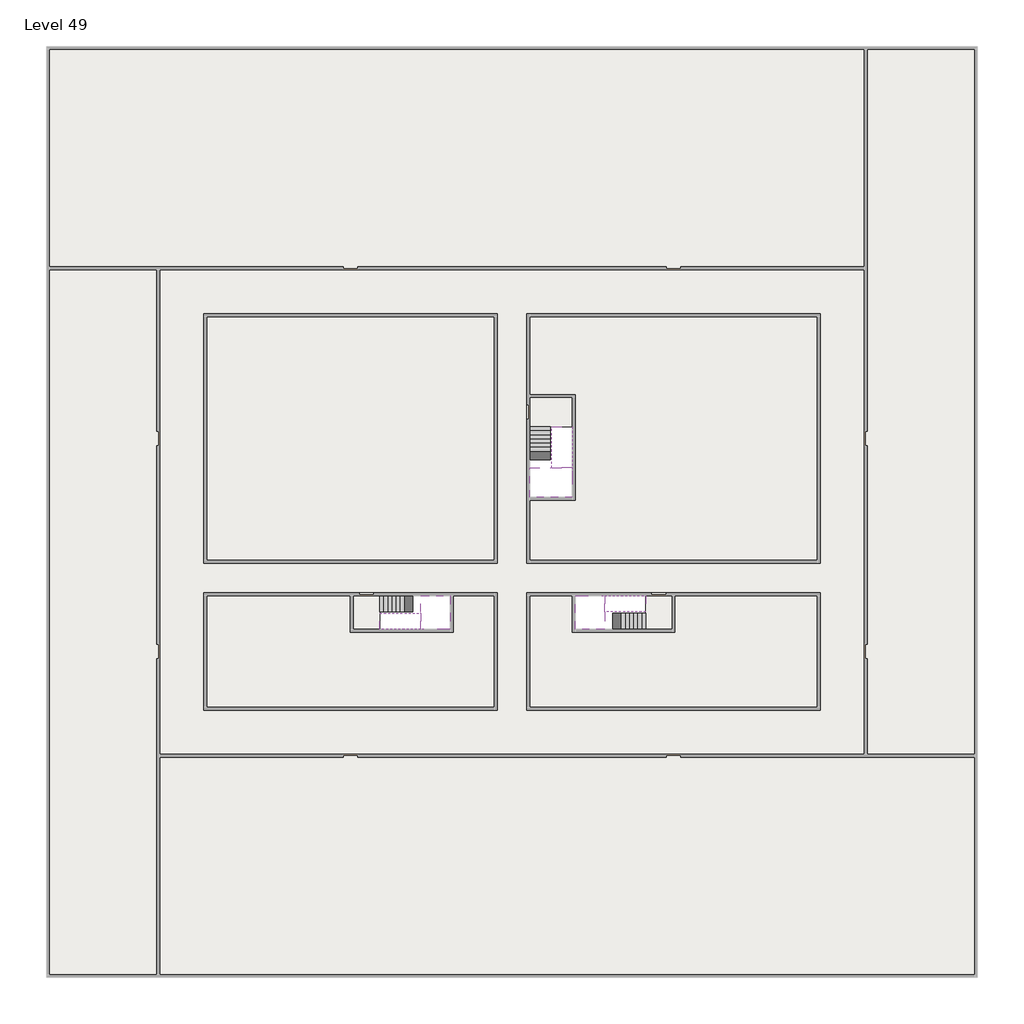
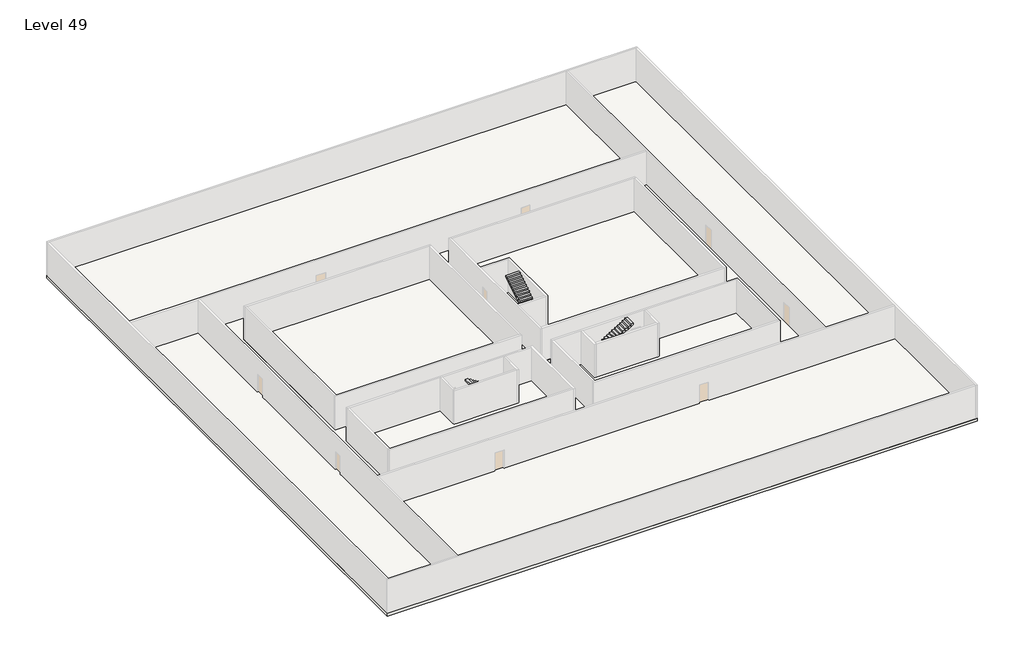
# One storey, part 2 of 2: 6 slabs, 6 stair flights.
"""IFC4 building model written with IfcOpenShell, lengths in millimetres."""

import ifcopenshell
import ifcopenshell.guid

model = None  # the IFC model being written
_history = None  # IfcOwnerHistory: only IFC2X3 demands one
_inside = {}  # id of a spatial element -> (the spatial element, [elements in it])
_under = {}  # id of a project, library or spatial element -> (it, [spatial elements below it])
_declared = {}  # id of a project -> (the project, [libraries it declares])
_typed = {}  # id of a type object -> (the type object, [elements of that type])
_made_of = {}  # id of a material, layer set ... -> (it, [elements and type objects made of it])


def new_model(schema):
    """Start an empty IFC model of exactly this schema.

    Asked for "IFC4X3", IfcOpenShell would pick the latest addendum, in which some entities
    have other attributes; the version numbers below select the first issue.
    IFC2X3 requires an IfcOwnerHistory on every rooted entity: one is made here for all.
    """
    global model, _history
    if schema == "IFC4X3":
        model = ifcopenshell.file(schema_version=(4, 3, 0, 0))
    else:
        model = ifcopenshell.file(schema=schema)
    _inside.clear()
    _under.clear()
    _declared.clear()
    _typed.clear()
    _made_of.clear()
    _history = None
    if model.schema == "IFC2X3":
        org = make("IfcOrganization", Name="unknown")
        user = make(
            "IfcPersonAndOrganization",
            ThePerson=make("IfcPerson", FamilyName="unknown"),
            TheOrganization=org,
        )
        app = make(
            "IfcApplication",
            ApplicationDeveloper=org,
            Version="unknown",
            ApplicationFullName="unknown",
            ApplicationIdentifier="unknown",
        )
        _history = make(
            "IfcOwnerHistory",
            OwningUser=user,
            OwningApplication=app,
            ChangeAction="ADDED",
            CreationDate=0,
        )
    return model


def make(cls, **values):
    """One entity of the class cls with the attributes given. An attribute that is None is left unset."""
    return model.create_entity(
        cls, **{name: value for name, value in values.items() if value is not None}
    )


def rooted(cls, **values):
    """An entity with a GlobalId (a new one), such as an element, a storey or a relation."""
    return make(cls, GlobalId=ifcopenshell.guid.new(), OwnerHistory=_history, **values)


def si_unit(unit_type, name, prefix=None):
    """IfcSIUnit, for example si_unit("LENGTHUNIT", "METRE", prefix="MILLI")."""
    return make("IfcSIUnit", UnitType=unit_type, Prefix=prefix, Name=name)


def assignment(units):
    """IfcUnitAssignment: the units of a project."""
    return None if units is None else make("IfcUnitAssignment", Units=units)


def point(xyz):
    """IfcCartesianPoint."""
    return None if xyz is None else make("IfcCartesianPoint", Coordinates=xyz)


def direction(xyz):
    """IfcDirection."""
    return None if xyz is None else make("IfcDirection", DirectionRatios=xyz)


def frame(location, z_axis=None, x_axis=None):
    """IfcAxis2Placement3D, a coordinate frame: its origin and axes. An axis left out is left unset."""
    return make(
        "IfcAxis2Placement3D",
        Location=point(location),
        Axis=direction(z_axis),
        RefDirection=direction(x_axis),
    )


def origin():
    """The frame at (0, 0, 0) with its axes left unset."""
    return frame((0.0, 0.0, 0.0))


def place(relative_to, where):
    """IfcLocalPlacement: puts the frame where relative to a parent placement (None: the world)."""
    return make(
        "IfcLocalPlacement", PlacementRelTo=relative_to, RelativePlacement=where
    )


def context(
    kind, dimensions, precision=None, world=None, true_north=None, identifier=None
):
    """IfcGeometricRepresentationContext, for example the 3D "Model" context."""
    return make(
        "IfcGeometricRepresentationContext",
        ContextIdentifier=identifier,
        ContextType=kind,
        CoordinateSpaceDimension=dimensions,
        Precision=precision,
        WorldCoordinateSystem=world,
        TrueNorth=true_north,
    )


def project(units=None, contexts=None):
    """IfcProject with its units and contexts."""
    return rooted(
        "IfcProject",
        Name="project",
        RepresentationContexts=contexts,
        UnitsInContext=assignment(units),
    )


def spatial(cls, under=None, at=None, **own):
    """A site, building, storey or space (cls), placed at a placement, below another one or the project."""
    s = rooted(cls, ObjectPlacement=at, **own)
    if under is not None:
        _under.setdefault(under.id(), (under, []))[1].append(s)
    return s


def polyline(points):
    """IfcPolyline through the points."""
    return make("IfcPolyline", Points=[point(p) for p in points])


def outline(outer, holes=None, kind="AREA"):
    """IfcArbitraryClosedProfileDef: a profile drawn as a closed curve; with holes, ...WithVoids."""
    if holes is None:
        return make("IfcArbitraryClosedProfileDef", ProfileType=kind, OuterCurve=outer)
    return make(
        "IfcArbitraryProfileDefWithVoids",
        ProfileType=kind,
        OuterCurve=outer,
        InnerCurves=holes,
    )


def extrude(swept, where, along, depth):
    """IfcExtrudedAreaSolid: the profile swept, set in the frame where, extruded along a direction by depth."""
    return make(
        "IfcExtrudedAreaSolid",
        SweptArea=swept,
        Position=where,
        ExtrudedDirection=direction(along),
        Depth=depth,
    )


def faces_of(points, faces, orient=None, outer=None):
    """IfcFace entities. A face is a list of loops; a loop is a list of indices into points, from 0.

    orient and outer hold one flag for each loop. By default every Orientation is true, the
    first loop of a face is its IfcFaceOuterBound and the others are IfcFaceBound.
    """
    made = []
    for i, loops in enumerate(faces):
        bounds = []
        for j, loop in enumerate(loops):
            is_outer = j == 0 if outer is None else outer[i][j]
            bounds.append(
                make(
                    "IfcFaceOuterBound" if is_outer else "IfcFaceBound",
                    Bound=make("IfcPolyLoop", Polygon=[points[k] for k in loop]),
                    Orientation=True if orient is None else orient[i][j],
                )
            )
        made.append(make("IfcFace", Bounds=bounds))
    return made


def faceted_brep(points, faces, orient=None, outer=None, voids=None):
    """IfcFacetedBrep: a solid bounded by flat faces; with voids (closed shells), ...WithVoids."""
    shared = [point(p) for p in points]
    hull = make("IfcClosedShell", CfsFaces=faces_of(shared, faces, orient, outer))
    if voids is None:
        return make("IfcFacetedBrep", Outer=hull)
    return make(
        "IfcFacetedBrepWithVoids",
        Outer=hull,
        Voids=[
            make(cls, CfsFaces=faces_of(shared, fs, o, b)) for cls, fs, o, b in voids
        ],
    )


def shape(context_of_items, identifier, shape_type, items):
    """IfcShapeRepresentation: the items that make up one representation, for example the "Body"."""
    return make(
        "IfcShapeRepresentation",
        ContextOfItems=context_of_items,
        RepresentationIdentifier=identifier,
        RepresentationType=shape_type,
        Items=items,
    )


def made_of(thing, what):
    """Note that an element or type object is made of a material, layer set ...; save() writes the relation."""
    if what is not None:
        _made_of.setdefault(what.id(), (what, []))[1].append(thing)
    return thing


def element(
    cls,
    number,
    at=None,
    inside=None,
    cuts=None,
    type_object=None,
    material=None,
    context=None,
    identifier="Body",
    shape_type=None,
    held_by="IfcProductDefinitionShape",
    body=None,
    shapes=None,
    **own,
):
    """One element of the class cls, such as IfcWall. Its Tag is "e" and its number.

    at: its placement. inside: the storey or other place that contains it. cuts: it is an
    opening in that element (IfcRelVoidsElement). A single representation is given by context,
    identifier, shape_type and body (its items); several are given by shapes. held_by: the class
    of the entity that holds the representations. save() writes the other relations.
    """
    e = rooted(cls, Tag="e%d" % number, ObjectPlacement=at, **own)
    if body is not None:
        shapes = [shape(context, identifier, shape_type, body)]
    if shapes is not None:
        e.Representation = make(held_by, Representations=shapes)
    if inside is not None:
        _inside.setdefault(inside.id(), (inside, []))[1].append(e)
    if cuts is not None:
        rooted(
            "IfcRelVoidsElement", RelatingBuildingElement=cuts, RelatedOpeningElement=e
        )
    if type_object is not None:
        _typed.setdefault(type_object.id(), (type_object, []))[1].append(e)
    return made_of(e, material)


def aggregate(whole, parts):
    """IfcRelAggregates: a whole, such as a stair, and the parts it consists of."""
    return rooted("IfcRelAggregates", RelatingObject=whole, RelatedObjects=parts)


def save(model, path):
    """Write the relations noted so far, then the file.

    IfcRelAggregates (storeys below a building ...), IfcRelContainedInSpatialStructure (elements
    in a storey), IfcRelDefinesByType, IfcRelAssociatesMaterial and IfcRelDeclares: one each for
    every whole, place, type object, material and project.
    """
    for whole, parts in _under.values():
        aggregate(whole, parts)
    for where, things in _inside.values():
        rooted(
            "IfcRelContainedInSpatialStructure",
            RelatedElements=things,
            RelatingStructure=where,
        )
    for kind, things in _typed.values():
        rooted("IfcRelDefinesByType", RelatedObjects=things, RelatingType=kind)
    for what, things in _made_of.values():
        rooted("IfcRelAssociatesMaterial", RelatedObjects=things, RelatingMaterial=what)
    for by, libraries in _declared.values():
        rooted("IfcRelDeclares", RelatingContext=by, RelatedDefinitions=libraries)
    model.write(path)


model = new_model("IFC4")

# Units and contexts
model_context = context("Model", 3, world=origin())
ifc_project = project(units=[si_unit("LENGTHUNIT", "METRE", prefix="MILLI")], contexts=[model_context])

# Site, building, storey
site = spatial("IfcSite", under=ifc_project)
building = spatial("IfcBuilding", under=site)
storey = spatial("IfcBuildingStorey", under=building, Name="Level 49", Elevation=182400.0)

# Slabs
placement = place(None, origin())
element("IfcSlab", 1, at=placement, inside=storey, context=model_context, shape_type="SweptSolid", body=[
    extrude(outline(polyline([(55890.1058784, -5518.09644), (55890.1058784, -68918.09644), (-7509.8941216, -68918.09644), (-7509.8941216, -5518.09644), (55890.1058784, -5518.09644)]), holes=[polyline([(23190.1058784, -23718.09644), (3190.1058784, -23718.09644), (3190.1058784, -40718.09644), (23190.1058784, -40718.09644), (23190.1058784, -23718.09644)]), polyline([(45190.1058784, -23718.09644), (25190.1058784, -23718.09644), (25190.1058784, -40718.09644), (45190.1058784, -40718.09644), (45190.1058784, -23718.09644)]), polyline([(23190.1058784, -42718.09644), (3190.1058784, -42718.09644), (3190.1058784, -50718.09644), (23190.1058784, -50718.09644), (23190.1058784, -42718.09644)]), polyline([(25190.1058784, -50718.09644), (45190.1058784, -50718.09644), (45190.1058784, -42718.09644), (25190.1058784, -42718.09644), (25190.1058784, -50718.09644)])]), frame((0.0, 0.0, 182100.0), z_axis=(0.0, 0.0, 1.0), x_axis=(1.0, 0.0, 0.0)), (0.0, 0.0, 1.0), 300.0),
])
element("IfcSlab", 2, at=placement, inside=storey, context=model_context, shape_type="Brep", body=[
    faceted_brep([(26790.1058784, -34218.09644, 184300.0), (25390.1058784, -34218.09644, 184300.0), (25390.1058784, -34297.4828763, 184300.0), (25390.1058784, -36218.09644, 184300.0), (28290.1058784, -36218.09644, 184300.0), (28290.1058784, -34418.7100038, 184300.0), (28290.1058784, -34218.09644, 184300.0), (26890.1058784, -34218.09644, 184300.0), (26790.1058784, -34218.09644, 184000.0), (26790.1058784, -34218.09644, 183951.0278478), (25390.1058784, -34218.09644, 183951.0278478), (25390.1058784, -34218.09644, 184127.2727273), (25390.1058784, -34297.4828763, 184000.0), (25390.1058784, -36218.09644, 184000.0), (28290.1058784, -36218.09644, 184000.0), (28290.1058784, -34418.7100038, 184000.0), (28290.1058784, -34218.09644, 184123.7551205), (26890.1058784, -34218.09644, 184123.7551205), (26890.1058784, -34218.09644, 184000.0), (26890.1058784, -34418.7100038, 184000.0), (26790.1058784, -34297.4828763, 184000.0)], [[[0, 1, 2, 3, 4, 5, 6, 7]], [[1, 0, 8, 9, 10, 11]], [[1, 11, 10, 12, 13, 3, 2]], [[4, 3, 13, 14]], [[4, 14, 15, 16, 6, 5]], [[7, 6, 16, 17]], [[0, 7, 17, 18, 8]], [[18, 19, 15, 14, 13, 12, 20, 8]], [[19, 18, 17]], [[20, 12, 10, 9]], [[8, 20, 9]], [[15, 19, 17, 16]]]),
])
element("IfcSlab", 3, at=placement, inside=storey, context=model_context, shape_type="SweptSolid", body=[
    extrude(outline(polyline([(22990.1058784, -23918.09644), (22990.1058784, -40518.09644), (3390.1058784, -40518.09644), (3390.1058784, -23918.09644), (22990.1058784, -23918.09644)])), frame((0.0, 0.0, 182100.0), z_axis=(0.0, 0.0, 1.0), x_axis=(1.0, 0.0, 0.0)), (0.0, 0.0, 1.0), 300.0),
    extrude(outline(polyline([(44990.1058784, -23918.09644), (44990.1058784, -40518.09644), (25390.1058784, -40518.09644), (25390.1058784, -36418.09644), (28490.1058784, -36418.09644), (28490.1058784, -29218.09644), (25390.1058784, -29218.09644), (25390.1058784, -23918.09644), (44990.1058784, -23918.09644)])), frame((0.0, 0.0, 182100.0), z_axis=(0.0, 0.0, 1.0), x_axis=(1.0, 0.0, 0.0)), (0.0, 0.0, 1.0), 300.0),
    extrude(outline(polyline([(22990.1058784, -42918.09644), (22990.1058784, -50518.09644), (3390.1058784, -50518.09644), (3390.1058784, -42918.09644), (13390.1058784, -42918.09644), (13390.1058784, -45418.09644), (15190.1058784, -45418.09644), (15190.1058784, -45218.09644), (19990.1058784, -45218.09644), (19990.1058784, -42918.09644), (22990.1058784, -42918.09644)])), frame((0.0, 0.0, 182100.0), z_axis=(0.0, 0.0, 1.0), x_axis=(1.0, 0.0, 0.0)), (0.0, 0.0, 1.0), 300.0),
    extrude(outline(polyline([(44990.1058784, -50518.09644), (25390.1058784, -50518.09644), (25390.1058784, -42918.09644), (28490.1058784, -42918.09644), (28490.1058784, -45218.09644), (33290.1058784, -45218.09644), (33290.1058784, -45418.09644), (35090.1058784, -45418.09644), (35090.1058784, -42918.09644), (44990.1058784, -42918.09644), (44990.1058784, -50518.09644)])), frame((0.0, 0.0, 182100.0), z_axis=(0.0, 0.0, 1.0), x_axis=(1.0, 0.0, 0.0)), (0.0, 0.0, 1.0), 300.0),
])
element("IfcSlab", 4, at=placement, inside=storey, context=model_context, shape_type="Brep", body=[
    faceted_brep([(30490.1058784, -45218.09644, 184300.0), (30490.1058784, -44118.09644, 184300.0), (30490.1058784, -44018.09644, 184300.0), (30490.1058784, -42918.09644, 184300.0), (30289.4923146, -42918.09644, 184300.0), (28490.1058784, -42918.09644, 184300.0), (28490.1058784, -45218.09644, 184300.0), (30410.7194421, -45218.09644, 184300.0), (30490.1058784, -45218.09644, 184127.2727273), (30490.1058784, -45218.09644, 183951.0278478), (30490.1058784, -44118.09644, 183951.0278478), (30490.1058784, -44118.09644, 184000.0), (30490.1058784, -44018.09644, 184000.0), (30490.1058784, -44018.09644, 184123.7551205), (30490.1058784, -42918.09644, 184123.7551205), (30289.4923146, -42918.09644, 184000.0), (28490.1058784, -42918.09644, 184000.0), (28490.1058784, -45218.09644, 184000.0), (30410.7194421, -45218.09644, 184000.0), (30289.4923146, -44018.09644, 184000.0), (30410.7194421, -44118.09644, 184000.0)], [[[0, 1, 2, 3, 4, 5, 6, 7]], [[1, 0, 8, 9, 10, 11]], [[2, 1, 11, 12, 13]], [[3, 2, 13, 14]], [[3, 14, 15, 16, 5, 4]], [[6, 5, 16, 17]], [[9, 8, 0, 7, 6, 17, 18]], [[19, 12, 11, 20, 18, 17, 16, 15]], [[12, 19, 13]], [[18, 20, 10, 9]], [[20, 11, 10]], [[19, 15, 14, 13]]]),
])
element("IfcSlab", 5, at=placement, inside=storey, context=model_context, shape_type="Brep", body=[
    faceted_brep([(17990.1058784, -42918.09644, 184300.0), (17990.1058784, -44018.09644, 184300.0), (17990.1058784, -44118.09644, 184300.0), (17990.1058784, -45218.09644, 184300.0), (18190.7194421, -45218.09644, 184300.0), (19990.1058784, -45218.09644, 184300.0), (19990.1058784, -42918.09644, 184300.0), (18069.4923146, -42918.09644, 184300.0), (17990.1058784, -42918.09644, 184127.2727273), (17990.1058784, -42918.09644, 183951.0278478), (17990.1058784, -44018.09644, 183951.0278478), (17990.1058784, -44018.09644, 184000.0), (17990.1058784, -44118.09644, 184000.0), (17990.1058784, -44118.09644, 184123.7551205), (17990.1058784, -45218.09644, 184123.7551205), (18190.7194421, -45218.09644, 184000.0), (19990.1058784, -45218.09644, 184000.0), (19990.1058784, -42918.09644, 184000.0), (18069.4923146, -42918.09644, 184000.0), (18190.7194421, -44118.09644, 184000.0), (18069.4923146, -44018.09644, 184000.0)], [[[0, 1, 2, 3, 4, 5, 6, 7]], [[1, 0, 8, 9, 10, 11]], [[2, 1, 11, 12, 13]], [[3, 2, 13, 14]], [[3, 14, 15, 16, 5, 4]], [[6, 5, 16, 17]], [[9, 8, 0, 7, 6, 17, 18]], [[19, 12, 11, 20, 18, 17, 16, 15]], [[12, 19, 13]], [[18, 20, 10, 9]], [[20, 11, 10]], [[19, 15, 14, 13]]]),
])
element("IfcSlab", 6, at=placement, inside=storey, context=model_context, shape_type="SweptSolid", body=[
    extrude(outline(polyline([(15190.1058784, -45218.09644), (13390.1058784, -45218.09644), (13390.1058784, -42718.09644), (15190.1058784, -42718.09644), (15190.1058784, -45218.09644)])), frame((0.0, 0.0, 182100.0), z_axis=(0.0, 0.0, 1.0), x_axis=(1.0, 0.0, 0.0)), (0.0, 0.0, 1.0), 300.0),
    extrude(outline(polyline([(35090.1058784, -45218.09644), (33290.1058784, -45218.09644), (33290.1058784, -42718.09644), (35090.1058784, -42718.09644), (35090.1058784, -45218.09644)])), frame((0.0, 0.0, 182100.0), z_axis=(0.0, 0.0, 1.0), x_axis=(1.0, 0.0, 0.0)), (0.0, 0.0, 1.0), 300.0),
    extrude(outline(polyline([(25190.1058784, -29418.09644), (28290.1058784, -29418.09644), (28290.1058784, -31418.09644), (25190.1058784, -31418.09644), (25190.1058784, -29418.09644)])), frame((0.0, 0.0, 182100.0), z_axis=(0.0, 0.0, 1.0), x_axis=(1.0, 0.0, 0.0)), (0.0, 0.0, 1.0), 300.0),
])

# Stair flights
element("IfcStairFlight", 7, at=placement, inside=storey, context=model_context, shape_type="Brep", body=[
    faceted_brep([(26790.1058784, -31698.09644, 182572.7272727), (26790.1058784, -31418.09644, 182572.7272727), (25390.1058784, -31418.09644, 182572.7272727), (25390.1058784, -31698.09644, 182572.7272727), (26790.1058784, -31698.09644, 182400.0), (26790.1058784, -31418.09644, 182400.0), (25390.1058784, -31418.09644, 182400.0), (25390.1058784, -31698.09644, 182400.0), (26790.1058784, -31978.09644, 182745.4545455), (26790.1058784, -31698.09644, 182745.4545455), (25390.1058784, -31698.09644, 182745.4545455), (25390.1058784, -31978.09644, 182745.4545455), (26790.1058784, -31978.09644, 182569.209666), (26790.1058784, -31703.7986657, 182400.0), (25390.1058784, -31703.7986657, 182400.0), (25390.1058784, -31978.09644, 182569.209666), (26790.1058784, -32258.09644, 182918.1818182), (26790.1058784, -31978.09644, 182918.1818182), (25390.1058784, -31978.09644, 182918.1818182), (25390.1058784, -32258.09644, 182918.1818182), (26790.1058784, -32258.09644, 182741.9369387), (25390.1058784, -32258.09644, 182741.9369387), (26790.1058784, -32538.09644, 183090.9090909), (26790.1058784, -32258.09644, 183090.9090909), (25390.1058784, -32258.09644, 183090.9090909), (25390.1058784, -32538.09644, 183090.9090909), (26790.1058784, -32538.09644, 182914.6642114), (25390.1058784, -32538.09644, 182914.6642114), (26790.1058784, -32818.09644, 183263.6363636), (26790.1058784, -32538.09644, 183263.6363636), (25390.1058784, -32538.09644, 183263.6363636), (25390.1058784, -32818.09644, 183263.6363636), (26790.1058784, -32818.09644, 183087.3914841), (25390.1058784, -32818.09644, 183087.3914841), (26790.1058784, -33098.09644, 183436.3636364), (26790.1058784, -32818.09644, 183436.3636364), (25390.1058784, -32818.09644, 183436.3636364), (25390.1058784, -33098.09644, 183436.3636364), (26790.1058784, -33098.09644, 183260.1187569), (25390.1058784, -33098.09644, 183260.1187569), (26790.1058784, -33378.09644, 183609.0909091), (26790.1058784, -33098.09644, 183609.0909091), (25390.1058784, -33098.09644, 183609.0909091), (25390.1058784, -33378.09644, 183609.0909091), (26790.1058784, -33378.09644, 183432.8460296), (25390.1058784, -33378.09644, 183432.8460296), (26790.1058784, -33658.09644, 183781.8181818), (26790.1058784, -33378.09644, 183781.8181818), (25390.1058784, -33378.09644, 183781.8181818), (25390.1058784, -33658.09644, 183781.8181818), (26790.1058784, -33658.09644, 183605.5733023), (25390.1058784, -33658.09644, 183605.5733023), (26790.1058784, -33938.09644, 183954.5454545), (26790.1058784, -33658.09644, 183954.5454545), (25390.1058784, -33658.09644, 183954.5454545), (25390.1058784, -33938.09644, 183954.5454545), (26790.1058784, -33938.09644, 183778.3005751), (25390.1058784, -33938.09644, 183778.3005751), (26790.1058784, -34218.09644, 184127.2727273), (26790.1058784, -33938.09644, 184127.2727273), (25390.1058784, -33938.09644, 184127.2727273), (25390.1058784, -34218.09644, 184127.2727273), (26790.1058784, -34218.09644, 184000.0), (26790.1058784, -34218.09644, 183951.0278478), (25390.1058784, -34218.09644, 183951.0278478)], [[[0, 1, 2, 3]], [[1, 0, 4, 5]], [[2, 1, 5, 6]], [[3, 2, 6, 7]], [[8, 9, 10, 11]], [[4, 0, 9, 8, 12, 13]], [[0, 3, 10, 9]], [[3, 7, 14, 15, 11, 10]], [[16, 17, 18, 19]], [[17, 16, 20, 12, 8]], [[8, 11, 18, 17]], [[19, 18, 11, 15, 21]], [[22, 23, 24, 25]], [[23, 22, 26, 20, 16]], [[16, 19, 24, 23]], [[25, 24, 19, 21, 27]], [[28, 29, 30, 31]], [[29, 28, 32, 26, 22]], [[22, 25, 30, 29]], [[31, 30, 25, 27, 33]], [[34, 35, 36, 37]], [[35, 34, 38, 32, 28]], [[28, 31, 36, 35]], [[37, 36, 31, 33, 39]], [[40, 41, 42, 43]], [[41, 40, 44, 38, 34]], [[34, 37, 42, 41]], [[43, 42, 37, 39, 45]], [[46, 47, 48, 49]], [[47, 46, 50, 44, 40]], [[40, 43, 48, 47]], [[49, 48, 43, 45, 51]], [[52, 53, 54, 55]], [[53, 52, 56, 50, 46]], [[46, 49, 54, 53]], [[55, 54, 49, 51, 57]], [[58, 59, 60, 61]], [[59, 58, 62, 63, 56, 52]], [[52, 55, 60, 59]], [[61, 60, 55, 57, 64]], [[58, 61, 64, 63, 62]], [[5, 4, 13, 14, 7, 6]], [[14, 13, 12, 20, 26, 32, 38, 44, 50, 56, 63, 64, 57, 51, 45, 39, 33, 27, 21, 15]]]),
])
element("IfcStairFlight", 8, at=placement, inside=storey, context=model_context, shape_type="Brep", body=[
    faceted_brep([(26890.1058784, -33938.09644, 184472.7272727), (26890.1058784, -34218.09644, 184472.7272727), (28290.1058784, -34218.09644, 184472.7272727), (28290.1058784, -33938.09644, 184472.7272727), (26890.1058784, -33938.09644, 184296.4823932), (26890.1058784, -34218.09644, 184123.7551205), (28290.1058784, -34218.09644, 184123.7551205), (28290.1058784, -34218.09644, 184300.0), (28290.1058784, -33938.09644, 184296.4823932), (26890.1058784, -33658.09644, 184645.4545455), (26890.1058784, -33938.09644, 184645.4545455), (28290.1058784, -33938.09644, 184645.4545455), (28290.1058784, -33658.09644, 184645.4545455), (26890.1058784, -33658.09644, 184469.209666), (28290.1058784, -33658.09644, 184469.209666), (26890.1058784, -33378.09644, 184818.1818182), (26890.1058784, -33658.09644, 184818.1818182), (28290.1058784, -33658.09644, 184818.1818182), (28290.1058784, -33378.09644, 184818.1818182), (26890.1058784, -33378.09644, 184641.9369387), (28290.1058784, -33378.09644, 184641.9369387), (26890.1058784, -33098.09644, 184990.9090909), (26890.1058784, -33378.09644, 184990.9090909), (28290.1058784, -33378.09644, 184990.9090909), (28290.1058784, -33098.09644, 184990.9090909), (26890.1058784, -33098.09644, 184814.6642114), (28290.1058784, -33098.09644, 184814.6642114), (26890.1058784, -32818.09644, 185163.6363636), (26890.1058784, -33098.09644, 185163.6363636), (28290.1058784, -33098.09644, 185163.6363636), (28290.1058784, -32818.09644, 185163.6363636), (26890.1058784, -32818.09644, 184987.3914841), (28290.1058784, -32818.09644, 184987.3914841), (26890.1058784, -32538.09644, 185336.3636364), (26890.1058784, -32818.09644, 185336.3636364), (28290.1058784, -32818.09644, 185336.3636364), (28290.1058784, -32538.09644, 185336.3636364), (26890.1058784, -32538.09644, 185160.1187569), (28290.1058784, -32538.09644, 185160.1187569), (26890.1058784, -32258.09644, 185509.0909091), (26890.1058784, -32538.09644, 185509.0909091), (28290.1058784, -32538.09644, 185509.0909091), (28290.1058784, -32258.09644, 185509.0909091), (26890.1058784, -32258.09644, 185332.8460296), (28290.1058784, -32258.09644, 185332.8460296), (26890.1058784, -31978.09644, 185681.8181818), (26890.1058784, -32258.09644, 185681.8181818), (28290.1058784, -32258.09644, 185681.8181818), (28290.1058784, -31978.09644, 185681.8181818), (26890.1058784, -31978.09644, 185505.5733023), (28290.1058784, -31978.09644, 185505.5733023), (26890.1058784, -31698.09644, 185854.5454545), (26890.1058784, -31978.09644, 185854.5454545), (28290.1058784, -31978.09644, 185854.5454545), (28290.1058784, -31698.09644, 185854.5454545), (26890.1058784, -31698.09644, 185678.3005751), (28290.1058784, -31698.09644, 185678.3005751), (26890.1058784, -31418.09644, 186027.2727273), (26890.1058784, -31698.09644, 186027.2727273), (28290.1058784, -31698.09644, 186027.2727273), (28290.1058784, -31418.09644, 186027.2727273), (26890.1058784, -31418.09644, 185851.0278478), (28290.1058784, -31418.09644, 185851.0278478)], [[[0, 1, 2, 3]], [[1, 0, 4, 5]], [[2, 1, 5, 6, 7]], [[3, 2, 7, 6, 8]], [[9, 10, 11, 12]], [[10, 9, 13, 4, 0]], [[11, 10, 0, 3]], [[12, 11, 3, 8, 14]], [[15, 16, 17, 18]], [[16, 15, 19, 13, 9]], [[17, 16, 9, 12]], [[18, 17, 12, 14, 20]], [[21, 22, 23, 24]], [[22, 21, 25, 19, 15]], [[23, 22, 15, 18]], [[24, 23, 18, 20, 26]], [[27, 28, 29, 30]], [[28, 27, 31, 25, 21]], [[29, 28, 21, 24]], [[30, 29, 24, 26, 32]], [[33, 34, 35, 36]], [[34, 33, 37, 31, 27]], [[35, 34, 27, 30]], [[36, 35, 30, 32, 38]], [[39, 40, 41, 42]], [[40, 39, 43, 37, 33]], [[41, 40, 33, 36]], [[42, 41, 36, 38, 44]], [[45, 46, 47, 48]], [[46, 45, 49, 43, 39]], [[47, 46, 39, 42]], [[48, 47, 42, 44, 50]], [[51, 52, 53, 54]], [[52, 51, 55, 49, 45]], [[53, 52, 45, 48]], [[54, 53, 48, 50, 56]], [[57, 58, 59, 60]], [[58, 57, 61, 55, 51]], [[59, 58, 51, 54]], [[60, 59, 54, 56, 62]], [[57, 60, 62, 61]], [[5, 4, 13, 19, 25, 31, 37, 43, 49, 55, 61, 62, 56, 50, 44, 38, 32, 26, 20, 14, 8, 6]]]),
])
element("IfcStairFlight", 9, at=placement, inside=storey, context=model_context, shape_type="Brep", body=[
    faceted_brep([(33010.1058784, -45218.09644, 182572.7272727), (33290.1058784, -45218.09644, 182572.7272727), (33290.1058784, -44118.09644, 182572.7272727), (33010.1058784, -44118.09644, 182572.7272727), (33010.1058784, -45218.09644, 182400.0), (33290.1058784, -45218.09644, 182400.0), (33290.1058784, -44118.09644, 182400.0), (33010.1058784, -44118.09644, 182400.0), (32730.1058784, -45218.09644, 182745.4545455), (33010.1058784, -45218.09644, 182745.4545455), (33010.1058784, -44118.09644, 182745.4545455), (32730.1058784, -44118.09644, 182745.4545455), (32730.1058784, -45218.09644, 182569.209666), (33004.4036527, -45218.09644, 182400.0), (33004.4036527, -44118.09644, 182400.0), (32730.1058784, -44118.09644, 182569.209666), (32450.1058784, -45218.09644, 182918.1818182), (32730.1058784, -45218.09644, 182918.1818182), (32730.1058784, -44118.09644, 182918.1818182), (32450.1058784, -44118.09644, 182918.1818182), (32450.1058784, -45218.09644, 182741.9369387), (32450.1058784, -44118.09644, 182741.9369387), (32170.1058784, -45218.09644, 183090.9090909), (32450.1058784, -45218.09644, 183090.9090909), (32450.1058784, -44118.09644, 183090.9090909), (32170.1058784, -44118.09644, 183090.9090909), (32170.1058784, -45218.09644, 182914.6642114), (32170.1058784, -44118.09644, 182914.6642114), (31890.1058784, -45218.09644, 183263.6363636), (32170.1058784, -45218.09644, 183263.6363636), (32170.1058784, -44118.09644, 183263.6363636), (31890.1058784, -44118.09644, 183263.6363636), (31890.1058784, -45218.09644, 183087.3914841), (31890.1058784, -44118.09644, 183087.3914841), (31610.1058784, -45218.09644, 183436.3636364), (31890.1058784, -45218.09644, 183436.3636364), (31890.1058784, -44118.09644, 183436.3636364), (31610.1058784, -44118.09644, 183436.3636364), (31610.1058784, -45218.09644, 183260.1187569), (31610.1058784, -44118.09644, 183260.1187569), (31330.1058784, -45218.09644, 183609.0909091), (31610.1058784, -45218.09644, 183609.0909091), (31610.1058784, -44118.09644, 183609.0909091), (31330.1058784, -44118.09644, 183609.0909091), (31330.1058784, -45218.09644, 183432.8460296), (31330.1058784, -44118.09644, 183432.8460296), (31050.1058784, -45218.09644, 183781.8181818), (31330.1058784, -45218.09644, 183781.8181818), (31330.1058784, -44118.09644, 183781.8181818), (31050.1058784, -44118.09644, 183781.8181818), (31050.1058784, -45218.09644, 183605.5733023), (31050.1058784, -44118.09644, 183605.5733023), (30770.1058784, -45218.09644, 183954.5454545), (31050.1058784, -45218.09644, 183954.5454545), (31050.1058784, -44118.09644, 183954.5454545), (30770.1058784, -44118.09644, 183954.5454545), (30770.1058784, -45218.09644, 183778.3005751), (30770.1058784, -44118.09644, 183778.3005751), (30490.1058784, -45218.09644, 184127.2727273), (30770.1058784, -45218.09644, 184127.2727273), (30770.1058784, -44118.09644, 184127.2727273), (30490.1058784, -44118.09644, 184127.2727273), (30490.1058784, -45218.09644, 183951.0278478), (30490.1058784, -44118.09644, 183951.0278478), (30490.1058784, -44118.09644, 184000.0)], [[[0, 1, 2, 3]], [[1, 0, 4, 5]], [[2, 1, 5, 6]], [[3, 2, 6, 7]], [[8, 9, 10, 11]], [[4, 0, 9, 8, 12, 13]], [[0, 3, 10, 9]], [[3, 7, 14, 15, 11, 10]], [[16, 17, 18, 19]], [[17, 16, 20, 12, 8]], [[8, 11, 18, 17]], [[19, 18, 11, 15, 21]], [[22, 23, 24, 25]], [[23, 22, 26, 20, 16]], [[16, 19, 24, 23]], [[25, 24, 19, 21, 27]], [[28, 29, 30, 31]], [[29, 28, 32, 26, 22]], [[22, 25, 30, 29]], [[31, 30, 25, 27, 33]], [[34, 35, 36, 37]], [[35, 34, 38, 32, 28]], [[28, 31, 36, 35]], [[37, 36, 31, 33, 39]], [[40, 41, 42, 43]], [[41, 40, 44, 38, 34]], [[34, 37, 42, 41]], [[43, 42, 37, 39, 45]], [[46, 47, 48, 49]], [[47, 46, 50, 44, 40]], [[40, 43, 48, 47]], [[49, 48, 43, 45, 51]], [[52, 53, 54, 55]], [[53, 52, 56, 50, 46]], [[46, 49, 54, 53]], [[55, 54, 49, 51, 57]], [[58, 59, 60, 61]], [[59, 58, 62, 56, 52]], [[52, 55, 60, 59]], [[61, 60, 55, 57, 63, 64]], [[58, 61, 64, 63, 62]], [[5, 4, 13, 14, 7, 6]], [[14, 13, 12, 20, 26, 32, 38, 44, 50, 56, 62, 63, 57, 51, 45, 39, 33, 27, 21, 15]]]),
])
element("IfcStairFlight", 10, at=placement, inside=storey, context=model_context, shape_type="Brep", body=[
    faceted_brep([(30770.1058784, -42918.09644, 184472.7272727), (30490.1058784, -42918.09644, 184472.7272727), (30490.1058784, -44018.09644, 184472.7272727), (30770.1058784, -44018.09644, 184472.7272727), (30770.1058784, -42918.09644, 184296.4823932), (30490.1058784, -42918.09644, 184123.7551205), (30490.1058784, -42918.09644, 184300.0), (30490.1058784, -44018.09644, 184123.7551205), (30770.1058784, -44018.09644, 184296.4823932), (31050.1058784, -42918.09644, 184645.4545455), (30770.1058784, -42918.09644, 184645.4545455), (30770.1058784, -44018.09644, 184645.4545455), (31050.1058784, -44018.09644, 184645.4545455), (31050.1058784, -42918.09644, 184469.209666), (31050.1058784, -44018.09644, 184469.209666), (31330.1058784, -42918.09644, 184818.1818182), (31050.1058784, -42918.09644, 184818.1818182), (31050.1058784, -44018.09644, 184818.1818182), (31330.1058784, -44018.09644, 184818.1818182), (31330.1058784, -42918.09644, 184641.9369387), (31330.1058784, -44018.09644, 184641.9369387), (31610.1058784, -42918.09644, 184990.9090909), (31330.1058784, -42918.09644, 184990.9090909), (31330.1058784, -44018.09644, 184990.9090909), (31610.1058784, -44018.09644, 184990.9090909), (31610.1058784, -42918.09644, 184814.6642114), (31610.1058784, -44018.09644, 184814.6642114), (31890.1058784, -42918.09644, 185163.6363636), (31610.1058784, -42918.09644, 185163.6363636), (31610.1058784, -44018.09644, 185163.6363636), (31890.1058784, -44018.09644, 185163.6363636), (31890.1058784, -42918.09644, 184987.3914841), (31890.1058784, -44018.09644, 184987.3914841), (32170.1058784, -42918.09644, 185336.3636364), (31890.1058784, -42918.09644, 185336.3636364), (31890.1058784, -44018.09644, 185336.3636364), (32170.1058784, -44018.09644, 185336.3636364), (32170.1058784, -42918.09644, 185160.1187569), (32170.1058784, -44018.09644, 185160.1187569), (32450.1058784, -42918.09644, 185509.0909091), (32170.1058784, -42918.09644, 185509.0909091), (32170.1058784, -44018.09644, 185509.0909091), (32450.1058784, -44018.09644, 185509.0909091), (32450.1058784, -42918.09644, 185332.8460296), (32450.1058784, -44018.09644, 185332.8460296), (32730.1058784, -42918.09644, 185681.8181818), (32450.1058784, -42918.09644, 185681.8181818), (32450.1058784, -44018.09644, 185681.8181818), (32730.1058784, -44018.09644, 185681.8181818), (32730.1058784, -42918.09644, 185505.5733023), (32730.1058784, -44018.09644, 185505.5733023), (33010.1058784, -42918.09644, 185854.5454545), (32730.1058784, -42918.09644, 185854.5454545), (32730.1058784, -44018.09644, 185854.5454545), (33010.1058784, -44018.09644, 185854.5454545), (33010.1058784, -42918.09644, 185678.3005751), (33010.1058784, -44018.09644, 185678.3005751), (33290.1058784, -42918.09644, 186027.2727273), (33010.1058784, -42918.09644, 186027.2727273), (33010.1058784, -44018.09644, 186027.2727273), (33290.1058784, -44018.09644, 186027.2727273), (33290.1058784, -42918.09644, 185851.0278478), (33290.1058784, -44018.09644, 185851.0278478)], [[[0, 1, 2, 3]], [[1, 0, 4, 5, 6]], [[2, 1, 6, 5, 7]], [[3, 2, 7, 8]], [[9, 10, 11, 12]], [[10, 9, 13, 4, 0]], [[11, 10, 0, 3]], [[12, 11, 3, 8, 14]], [[15, 16, 17, 18]], [[16, 15, 19, 13, 9]], [[17, 16, 9, 12]], [[18, 17, 12, 14, 20]], [[21, 22, 23, 24]], [[22, 21, 25, 19, 15]], [[23, 22, 15, 18]], [[24, 23, 18, 20, 26]], [[27, 28, 29, 30]], [[28, 27, 31, 25, 21]], [[29, 28, 21, 24]], [[30, 29, 24, 26, 32]], [[33, 34, 35, 36]], [[34, 33, 37, 31, 27]], [[35, 34, 27, 30]], [[36, 35, 30, 32, 38]], [[39, 40, 41, 42]], [[40, 39, 43, 37, 33]], [[41, 40, 33, 36]], [[42, 41, 36, 38, 44]], [[45, 46, 47, 48]], [[46, 45, 49, 43, 39]], [[47, 46, 39, 42]], [[48, 47, 42, 44, 50]], [[51, 52, 53, 54]], [[52, 51, 55, 49, 45]], [[53, 52, 45, 48]], [[54, 53, 48, 50, 56]], [[57, 58, 59, 60]], [[58, 57, 61, 55, 51]], [[59, 58, 51, 54]], [[60, 59, 54, 56, 62]], [[57, 60, 62, 61]], [[5, 4, 13, 19, 25, 31, 37, 43, 49, 55, 61, 62, 56, 50, 44, 38, 32, 26, 20, 14, 8, 7]]]),
])
element("IfcStairFlight", 11, at=placement, inside=storey, context=model_context, shape_type="Brep", body=[
    faceted_brep([(15470.1058784, -42918.09644, 182572.7272727), (15190.1058784, -42918.09644, 182572.7272727), (15190.1058784, -44018.09644, 182572.7272727), (15470.1058784, -44018.09644, 182572.7272727), (15470.1058784, -42918.09644, 182400.0), (15190.1058784, -42918.09644, 182400.0), (15190.1058784, -44018.09644, 182400.0), (15470.1058784, -44018.09644, 182400.0), (15750.1058784, -42918.09644, 182745.4545455), (15470.1058784, -42918.09644, 182745.4545455), (15470.1058784, -44018.09644, 182745.4545455), (15750.1058784, -44018.09644, 182745.4545455), (15750.1058784, -42918.09644, 182569.209666), (15475.8081041, -42918.09644, 182400.0), (15475.8081041, -44018.09644, 182400.0), (15750.1058784, -44018.09644, 182569.209666), (16030.1058784, -42918.09644, 182918.1818182), (15750.1058784, -42918.09644, 182918.1818182), (15750.1058784, -44018.09644, 182918.1818182), (16030.1058784, -44018.09644, 182918.1818182), (16030.1058784, -42918.09644, 182741.9369387), (16030.1058784, -44018.09644, 182741.9369387), (16310.1058784, -42918.09644, 183090.9090909), (16030.1058784, -42918.09644, 183090.9090909), (16030.1058784, -44018.09644, 183090.9090909), (16310.1058784, -44018.09644, 183090.9090909), (16310.1058784, -42918.09644, 182914.6642114), (16310.1058784, -44018.09644, 182914.6642114), (16590.1058784, -42918.09644, 183263.6363636), (16310.1058784, -42918.09644, 183263.6363636), (16310.1058784, -44018.09644, 183263.6363636), (16590.1058784, -44018.09644, 183263.6363636), (16590.1058784, -42918.09644, 183087.3914841), (16590.1058784, -44018.09644, 183087.3914841), (16870.1058784, -42918.09644, 183436.3636364), (16590.1058784, -42918.09644, 183436.3636364), (16590.1058784, -44018.09644, 183436.3636364), (16870.1058784, -44018.09644, 183436.3636364), (16870.1058784, -42918.09644, 183260.1187569), (16870.1058784, -44018.09644, 183260.1187569), (17150.1058784, -42918.09644, 183609.0909091), (16870.1058784, -42918.09644, 183609.0909091), (16870.1058784, -44018.09644, 183609.0909091), (17150.1058784, -44018.09644, 183609.0909091), (17150.1058784, -42918.09644, 183432.8460296), (17150.1058784, -44018.09644, 183432.8460296), (17430.1058784, -42918.09644, 183781.8181818), (17150.1058784, -42918.09644, 183781.8181818), (17150.1058784, -44018.09644, 183781.8181818), (17430.1058784, -44018.09644, 183781.8181818), (17430.1058784, -42918.09644, 183605.5733023), (17430.1058784, -44018.09644, 183605.5733023), (17710.1058784, -42918.09644, 183954.5454545), (17430.1058784, -42918.09644, 183954.5454545), (17430.1058784, -44018.09644, 183954.5454545), (17710.1058784, -44018.09644, 183954.5454545), (17710.1058784, -42918.09644, 183778.3005751), (17710.1058784, -44018.09644, 183778.3005751), (17990.1058784, -42918.09644, 184127.2727273), (17710.1058784, -42918.09644, 184127.2727273), (17710.1058784, -44018.09644, 184127.2727273), (17990.1058784, -44018.09644, 184127.2727273), (17990.1058784, -42918.09644, 183951.0278478), (17990.1058784, -44018.09644, 183951.0278478), (17990.1058784, -44018.09644, 184000.0)], [[[0, 1, 2, 3]], [[1, 0, 4, 5]], [[2, 1, 5, 6]], [[3, 2, 6, 7]], [[8, 9, 10, 11]], [[4, 0, 9, 8, 12, 13]], [[0, 3, 10, 9]], [[3, 7, 14, 15, 11, 10]], [[16, 17, 18, 19]], [[17, 16, 20, 12, 8]], [[8, 11, 18, 17]], [[19, 18, 11, 15, 21]], [[22, 23, 24, 25]], [[23, 22, 26, 20, 16]], [[16, 19, 24, 23]], [[25, 24, 19, 21, 27]], [[28, 29, 30, 31]], [[29, 28, 32, 26, 22]], [[22, 25, 30, 29]], [[31, 30, 25, 27, 33]], [[34, 35, 36, 37]], [[35, 34, 38, 32, 28]], [[28, 31, 36, 35]], [[37, 36, 31, 33, 39]], [[40, 41, 42, 43]], [[41, 40, 44, 38, 34]], [[34, 37, 42, 41]], [[43, 42, 37, 39, 45]], [[46, 47, 48, 49]], [[47, 46, 50, 44, 40]], [[40, 43, 48, 47]], [[49, 48, 43, 45, 51]], [[52, 53, 54, 55]], [[53, 52, 56, 50, 46]], [[46, 49, 54, 53]], [[55, 54, 49, 51, 57]], [[58, 59, 60, 61]], [[59, 58, 62, 56, 52]], [[52, 55, 60, 59]], [[61, 60, 55, 57, 63, 64]], [[58, 61, 64, 63, 62]], [[5, 4, 13, 14, 7, 6]], [[14, 13, 12, 20, 26, 32, 38, 44, 50, 56, 62, 63, 57, 51, 45, 39, 33, 27, 21, 15]]]),
])
element("IfcStairFlight", 12, at=placement, inside=storey, context=model_context, shape_type="Brep", body=[
    faceted_brep([(17710.1058784, -45218.09644, 184472.7272727), (17990.1058784, -45218.09644, 184472.7272727), (17990.1058784, -44118.09644, 184472.7272727), (17710.1058784, -44118.09644, 184472.7272727), (17710.1058784, -45218.09644, 184296.4823932), (17990.1058784, -45218.09644, 184123.7551205), (17990.1058784, -45218.09644, 184300.0), (17990.1058784, -44118.09644, 184123.7551205), (17710.1058784, -44118.09644, 184296.4823932), (17430.1058784, -45218.09644, 184645.4545455), (17710.1058784, -45218.09644, 184645.4545455), (17710.1058784, -44118.09644, 184645.4545455), (17430.1058784, -44118.09644, 184645.4545455), (17430.1058784, -45218.09644, 184469.209666), (17430.1058784, -44118.09644, 184469.209666), (17150.1058784, -45218.09644, 184818.1818182), (17430.1058784, -45218.09644, 184818.1818182), (17430.1058784, -44118.09644, 184818.1818182), (17150.1058784, -44118.09644, 184818.1818182), (17150.1058784, -45218.09644, 184641.9369387), (17150.1058784, -44118.09644, 184641.9369387), (16870.1058784, -45218.09644, 184990.9090909), (17150.1058784, -45218.09644, 184990.9090909), (17150.1058784, -44118.09644, 184990.9090909), (16870.1058784, -44118.09644, 184990.9090909), (16870.1058784, -45218.09644, 184814.6642114), (16870.1058784, -44118.09644, 184814.6642114), (16590.1058784, -45218.09644, 185163.6363636), (16870.1058784, -45218.09644, 185163.6363636), (16870.1058784, -44118.09644, 185163.6363636), (16590.1058784, -44118.09644, 185163.6363636), (16590.1058784, -45218.09644, 184987.3914841), (16590.1058784, -44118.09644, 184987.3914841), (16310.1058784, -45218.09644, 185336.3636364), (16590.1058784, -45218.09644, 185336.3636364), (16590.1058784, -44118.09644, 185336.3636364), (16310.1058784, -44118.09644, 185336.3636364), (16310.1058784, -45218.09644, 185160.1187569), (16310.1058784, -44118.09644, 185160.1187569), (16030.1058784, -45218.09644, 185509.0909091), (16310.1058784, -45218.09644, 185509.0909091), (16310.1058784, -44118.09644, 185509.0909091), (16030.1058784, -44118.09644, 185509.0909091), (16030.1058784, -45218.09644, 185332.8460296), (16030.1058784, -44118.09644, 185332.8460296), (15750.1058784, -45218.09644, 185681.8181818), (16030.1058784, -45218.09644, 185681.8181818), (16030.1058784, -44118.09644, 185681.8181818), (15750.1058784, -44118.09644, 185681.8181818), (15750.1058784, -45218.09644, 185505.5733023), (15750.1058784, -44118.09644, 185505.5733023), (15470.1058784, -45218.09644, 185854.5454545), (15750.1058784, -45218.09644, 185854.5454545), (15750.1058784, -44118.09644, 185854.5454545), (15470.1058784, -44118.09644, 185854.5454545), (15470.1058784, -45218.09644, 185678.3005751), (15470.1058784, -44118.09644, 185678.3005751), (15190.1058784, -45218.09644, 186027.2727273), (15470.1058784, -45218.09644, 186027.2727273), (15470.1058784, -44118.09644, 186027.2727273), (15190.1058784, -44118.09644, 186027.2727273), (15190.1058784, -45218.09644, 185851.0278478), (15190.1058784, -44118.09644, 185851.0278478)], [[[0, 1, 2, 3]], [[1, 0, 4, 5, 6]], [[2, 1, 6, 5, 7]], [[3, 2, 7, 8]], [[9, 10, 11, 12]], [[10, 9, 13, 4, 0]], [[11, 10, 0, 3]], [[12, 11, 3, 8, 14]], [[15, 16, 17, 18]], [[16, 15, 19, 13, 9]], [[17, 16, 9, 12]], [[18, 17, 12, 14, 20]], [[21, 22, 23, 24]], [[22, 21, 25, 19, 15]], [[23, 22, 15, 18]], [[24, 23, 18, 20, 26]], [[27, 28, 29, 30]], [[28, 27, 31, 25, 21]], [[29, 28, 21, 24]], [[30, 29, 24, 26, 32]], [[33, 34, 35, 36]], [[34, 33, 37, 31, 27]], [[35, 34, 27, 30]], [[36, 35, 30, 32, 38]], [[39, 40, 41, 42]], [[40, 39, 43, 37, 33]], [[41, 40, 33, 36]], [[42, 41, 36, 38, 44]], [[45, 46, 47, 48]], [[46, 45, 49, 43, 39]], [[47, 46, 39, 42]], [[48, 47, 42, 44, 50]], [[51, 52, 53, 54]], [[52, 51, 55, 49, 45]], [[53, 52, 45, 48]], [[54, 53, 48, 50, 56]], [[57, 58, 59, 60]], [[58, 57, 61, 55, 51]], [[59, 58, 51, 54]], [[60, 59, 54, 56, 62]], [[57, 60, 62, 61]], [[5, 4, 13, 19, 25, 31, 37, 43, 49, 55, 61, 62, 56, 50, 44, 38, 32, 26, 20, 14, 8, 7]]]),
])

save(model, "model.ifc")
